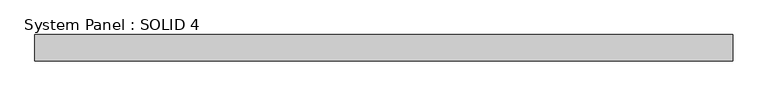
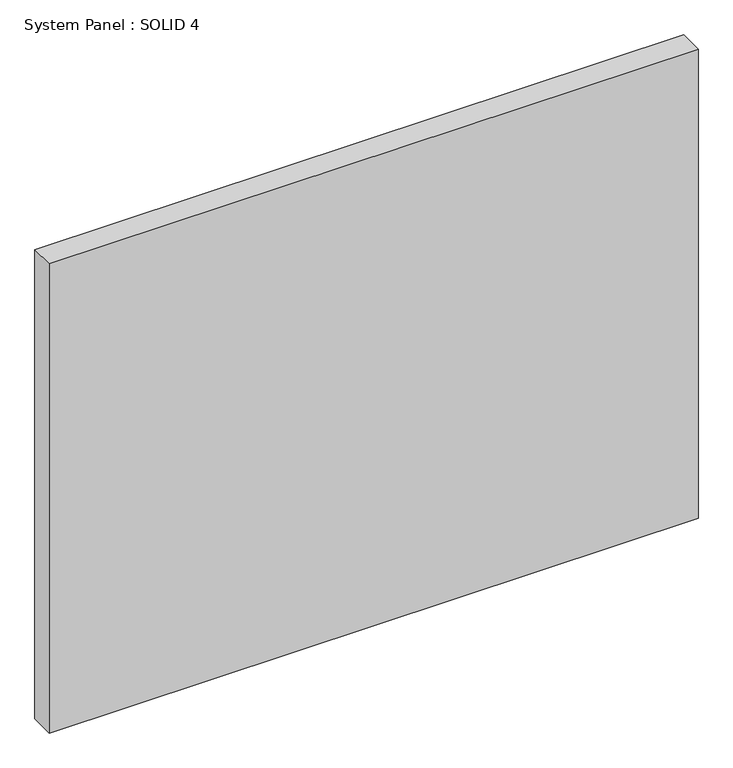
"""IFC4 building model written with IfcOpenShell, lengths in millimetres: plate geometry, System Panel : SOLID 4."""

from ifc_helpers import new_model, si_unit, origin, origin_with_axes, place, context, project, spatial, polyline, outline, extrude, source, transform, mapped, element, save


def system_panel_solid_4_92203944(model_context):
    return source(origin(), model_context, "Body", "SweptSolid", [
        extrude(outline(polyline([(1052.5, 80.0), (-1052.5, 80.0), (-1052.5, 160.0), (1052.5, 160.0), (1052.5, 80.0)])), origin_with_axes(), (0.0, 0.0, 1.0), 1609.0),
    ])


if __name__ == "__main__":
    model = new_model("IFC4")
    model_context = context("Model", 3, world=origin())
    ifc_project = project(units=[si_unit("LENGTHUNIT", "METRE", prefix="MILLI")], contexts=[model_context])
    site = spatial("IfcSite", under=ifc_project)
    building = spatial("IfcBuilding", under=site)
    placement = place(None, origin())
    system_panel_solid_4_shape = system_panel_solid_4_92203944(model_context)
    element("IfcPlate", 1, ObjectType="System Panel : SOLID 4", at=placement, inside=building, context=model_context, shape_type="MappedRepresentation", body=[
        mapped(system_panel_solid_4_shape, transform((0.0, 0.0, 0.0), x_axis=(1.0, 0.0, 0.0), y_axis=(0.0, 1.0, 0.0), z_axis=(0.0, 0.0, 1.0))),
    ])
    save(model, "model.ifc")
